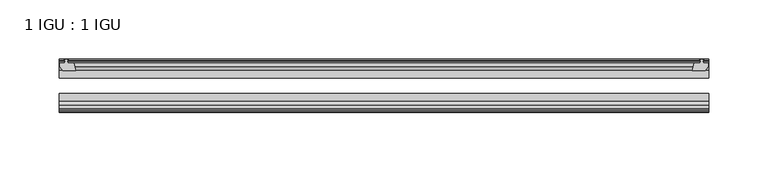
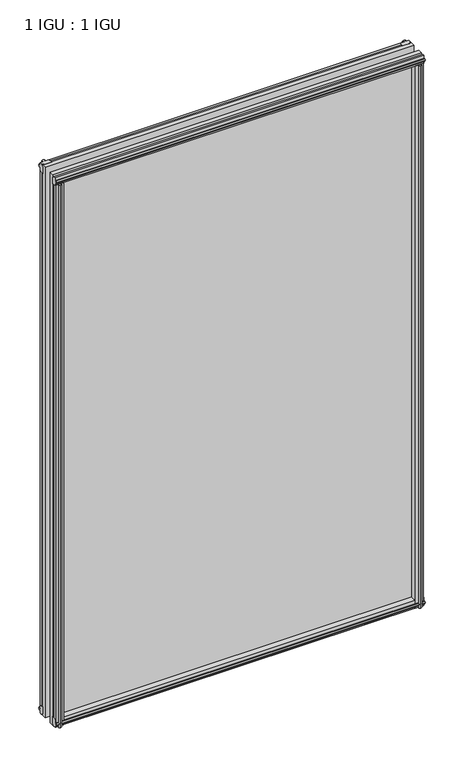
"""IFC4 building model written with IfcOpenShell, lengths in millimetres: plate geometry, 1 IGU : 1 IGU."""

from ifc_helpers import new_model, si_unit, frame, origin, place, context, project, spatial, polyline, outline, extrude, source, transform, mapped, element, save


def plate_1_igu_1_igu_c960658c(model_context):
    return source(origin(), model_context, "Body", "SweptSolid", [
        extrude(outline(polyline([(265.8155909, -10.4746158), (267.99312, -9.7670938), (270.170649, -10.4746158), (270.170649, -11.27583), (268.75512, -10.8158968), (269.13612, -13.1960938), (273.58112, -13.1960938), (273.58112, -16.1424938), (270.7467778, -19.5460938), (259.9254019, -19.5460938), (261.64312, -13.1960938), (266.85012, -13.1960938), (267.23112, -10.8158968), (265.8155909, -11.27583), (265.8155909, -10.4746158)])), frame((0.0, 0.0, -12.4587), z_axis=(0.0, 0.0, 1.0), x_axis=(1.0, 0.0, 0.0)), (0.0, 0.0, 1.0), 863.1174001),
        extrude(outline(polyline([(-267.99312, -9.7670937), (-265.8155909, -10.4746158), (-265.8155909, -11.27583), (-267.23112, -10.8158968), (-266.85012, -13.1960937), (-261.64312, -13.1960937), (-259.9254019, -19.5460937), (-270.7467778, -19.5460937), (-273.58112, -16.1424937), (-273.58112, -13.1960937), (-269.13612, -13.1960937), (-268.75512, -10.8158968), (-270.170649, -11.27583), (-270.170649, -10.4746158), (-267.99312, -9.7670937)])), frame((0.0, 0.0, -12.4587), z_axis=(0.0, 0.0, 1.0), x_axis=(1.0, 0.0, 0.0)), (0.0, 0.0, 1.0), 863.1174001),
        extrude(outline(polyline([(259.4080039, -44.9460938), (270.2293798, -44.9460938), (273.0637219, -48.3496938), (273.0637219, -51.2960938), (268.6187219, -51.2960938), (268.2377219, -53.6762907), (269.653251, -53.2163575), (269.653251, -54.0175717), (267.4757219, -54.7250938), (265.2981929, -54.0175717), (265.2981929, -53.2163575), (266.7137219, -53.6762907), (266.3327219, -51.2960938), (261.1257219, -51.2960938), (259.4080039, -44.9460938)])), frame((0.0, 0.0, -12.4587), z_axis=(0.0, 0.0, 1.0), x_axis=(1.0, 0.0, 0.0)), (0.0, 0.0, 1.0), 850.4174001),
        extrude(outline(polyline([(-259.4047019, -44.9460937), (-261.12242, -51.2960937), (-266.32942, -51.2960937), (-266.71042, -53.6762907), (-265.2948909, -53.2163575), (-265.2948909, -54.0175717), (-267.47242, -54.7250937), (-269.649949, -54.0175717), (-269.649949, -53.2163575), (-268.23442, -53.6762907), (-268.61542, -51.2960937), (-273.06042, -51.2960937), (-273.06042, -48.3496937), (-270.2260778, -44.9460937), (-259.4047019, -44.9460937)])), frame((0.0, 0.0, -12.4587), z_axis=(0.0, 0.0, 1.0), x_axis=(1.0, 0.0, 0.0)), (0.0, 0.0, 1.0), 850.4174001),
        extrude(outline(polyline([(-10.4746158, -4.6931709), (-9.7670937, -6.8707), (-10.4746158, -9.0482291), (-11.27583, -9.0482291), (-10.8158968, -7.6327), (-13.1960937, -8.0137), (-13.1960937, -12.4587), (-16.1424937, -12.4587), (-19.5460937, -9.6243578), (-19.5460937, 1.1970181), (-13.1960937, -0.5207), (-13.1960937, -5.7277), (-10.8158968, -6.1087), (-11.27583, -4.6931709), (-10.4746158, -4.6931709)])), frame((-273.82242, 0.0, 0.0), z_axis=(1.0, 0.0, 0.0), x_axis=(0.0, 1.0, 0.0)), (0.0, 0.0, 1.0), 547.6448399),
        extrude(outline(polyline([(-44.9460937, 1.7177181), (-44.9460937, -9.1036578), (-48.3496937, -11.938), (-51.2960937, -11.938), (-51.2960937, -7.493), (-53.6762907, -7.112), (-53.2163575, -8.5275291), (-54.0175717, -8.5275291), (-54.7250937, -6.35), (-54.0175717, -4.1724709), (-53.2163575, -4.1724709), (-53.6762907, -5.588), (-51.2960937, -5.207), (-51.2960937, 0.0), (-44.9460937, 1.7177181)])), frame((-273.82242, 0.0, 0.0), z_axis=(1.0, 0.0, 0.0), x_axis=(0.0, 1.0, 0.0)), (0.0, 0.0, 1.0), 547.6448399),
        extrude(outline(polyline([(-10.8158968, 845.8327001), (-11.27583, 847.2482291), (-10.4746158, 847.2482291), (-9.7670937, 845.0707001), (-10.4746158, 842.893171), (-11.27583, 842.893171), (-10.8158968, 844.3087001), (-13.1960937, 843.9277001), (-13.1960937, 838.7207001), (-19.5460938, 837.002982), (-19.5460938, 847.8243579), (-16.1424937, 850.6587001), (-13.1960937, 850.6587001), (-13.1960937, 846.2137001), (-10.8158968, 845.8327001)])), frame((-273.82242, 0.0, 0.0), z_axis=(1.0, 0.0, 0.0), x_axis=(0.0, 1.0, 0.0)), (0.0, 0.0, 1.0), 547.6448399),
        extrude(outline(polyline([(-51.2960937, 850.1380001), (-48.3496937, 850.1380001), (-44.9460938, 847.3036579), (-44.9460938, 836.482282), (-51.2960937, 838.2000001), (-51.2960937, 843.4070001), (-53.6762907, 843.7880001), (-53.2163575, 842.372471), (-54.0175717, 842.372471), (-54.7250937, 844.5500001), (-54.0175717, 846.7275291), (-53.2163575, 846.7275291), (-53.6762907, 845.3120001), (-51.2960937, 845.6930001), (-51.2960937, 850.1380001)])), frame((-273.82242, 0.0, 0.0), z_axis=(1.0, 0.0, 0.0), x_axis=(0.0, 1.0, 0.0)), (0.0, 0.0, 1.0), 547.6448399),
        extrude(outline(polyline([(-273.82242, -38.9186738), (273.82242, -38.9186738), (273.82242, -44.9460937), (-273.82242, -44.9460937), (-273.82242, -38.9186738)])), frame((0.0, 0.0, -12.7), z_axis=(0.0, 0.0, 1.0), x_axis=(1.0, 0.0, 0.0)), (0.0, 0.0, 1.0), 863.6000001),
        extrude(outline(polyline([(-273.82242, -19.5460937), (273.82242, -19.5460937), (273.82242, -25.8960938), (-273.82242, -25.8960938), (-273.82242, -19.5460937)])), frame((0.0, 0.0, -12.7), z_axis=(0.0, 0.0, 1.0), x_axis=(1.0, 0.0, 0.0)), (0.0, 0.0, 1.0), 863.6000001),
    ])


if __name__ == "__main__":
    model = new_model("IFC4")
    model_context = context("Model", 3, world=origin())
    ifc_project = project(units=[si_unit("LENGTHUNIT", "METRE", prefix="MILLI")], contexts=[model_context])
    site = spatial("IfcSite", under=ifc_project)
    building = spatial("IfcBuilding", under=site)
    placement = place(None, origin())
    plate_1_igu_1_igu_shape = plate_1_igu_1_igu_c960658c(model_context)
    element("IfcPlate", 1, ObjectType="1 IGU : 1 IGU", at=placement, inside=building, context=model_context, shape_type="MappedRepresentation", body=[
        mapped(plate_1_igu_1_igu_shape, transform((0.0, 0.0, 0.0), x_axis=(1.0, 0.0, 0.0), y_axis=(0.0, 1.0, 0.0), z_axis=(0.0, 0.0, 1.0))),
    ])
    save(model, "model.ifc")
